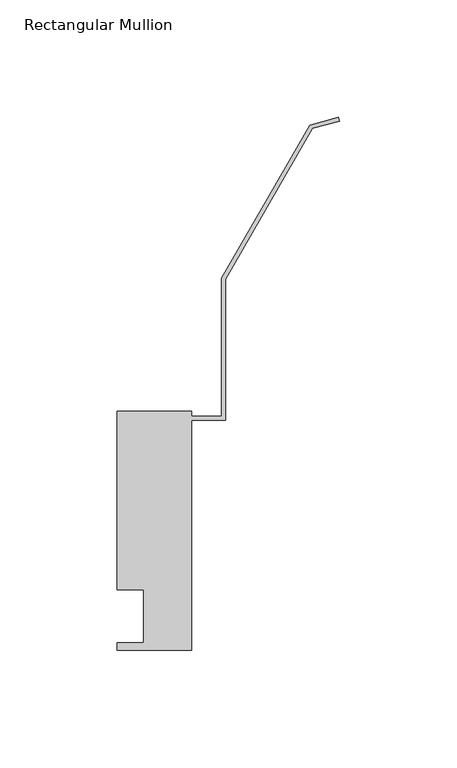
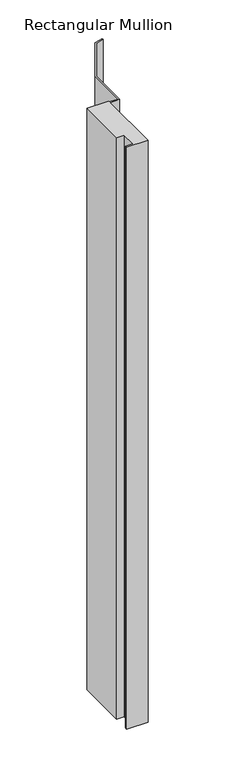
"""IFC4 building model written with IfcOpenShell, lengths in millimetres: member geometry, Rectangular Mullion."""

from ifc_helpers import new_model, si_unit, frame, origin, place, context, project, spatial, polyline, outline, extrude, source, transform, mapped, element, save


def rectangular_mullion_4445e1b6(model_context):
    return source(origin(), model_context, "Body", "SweptSolid", [
        extrude(outline(polyline([(-63.0045914, 76.2992187), (-63.0045914, 74.0132188), (-50.3045914, 74.0132187), (-50.3045914, 132.8640618), (-12.6781332, 198.034999), (-0.4108752, 201.3220009), (0.0, 199.7885937), (-11.6320999, 196.6717819), (-48.7297914, 132.4166954), (-48.7297914, 72.4257187), (-63.0045914, 72.4257188), (-63.0045914, -25.5547813), (-94.7545914, -25.5547813), (-94.7545914, -22.4007159), (-83.6420914, -22.4007159), (-83.6420914, 0.0992187), (-94.7545914, 0.0992188), (-94.7545914, 76.2992188), (-63.0045914, 76.2992187)])), frame((0.0, 0.0, -914.4), z_axis=(0.0, 0.0, 1.0), x_axis=(1.0, 0.0, 0.0)), (0.0, 0.0, 1.0), 914.4),
    ])


if __name__ == "__main__":
    model = new_model("IFC4")
    model_context = context("Model", 3, world=origin())
    ifc_project = project(units=[si_unit("LENGTHUNIT", "METRE", prefix="MILLI")], contexts=[model_context])
    site = spatial("IfcSite", under=ifc_project)
    building = spatial("IfcBuilding", under=site)
    placement = place(None, origin())
    rectangular_mullion_shape = rectangular_mullion_4445e1b6(model_context)
    element("IfcMember", 1, ObjectType="Rectangular Mullion", at=placement, inside=building, context=model_context, shape_type="MappedRepresentation", body=[
        mapped(rectangular_mullion_shape, transform((0.0, 0.0, 0.0), x_axis=(1.0, 0.0, 0.0), y_axis=(0.0, 1.0, 0.0), z_axis=(0.0, 0.0, 1.0))),
    ])
    save(model, "model.ifc")
